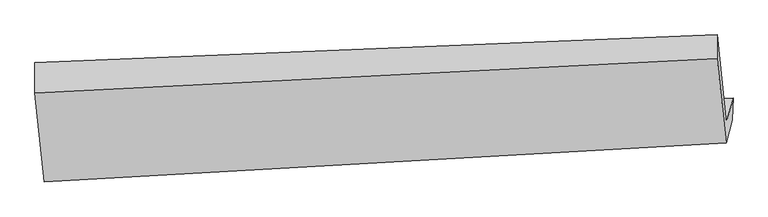
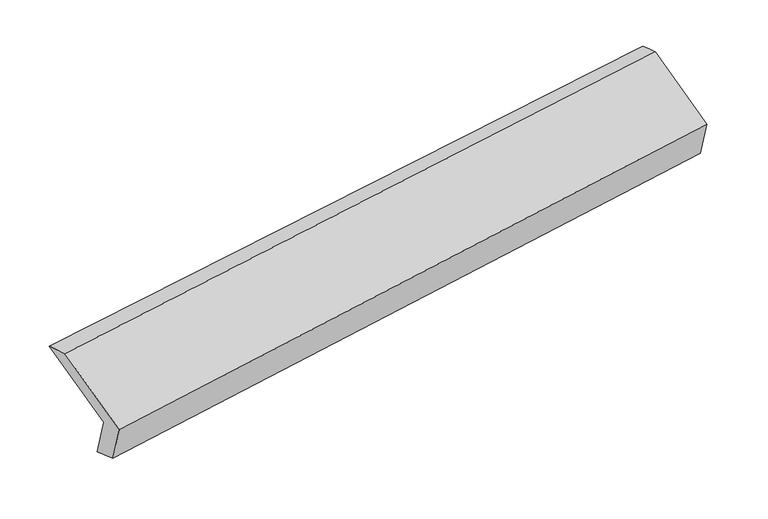
"""IFC4 building model written with IfcOpenShell, lengths in millimetres: proxy geometry."""

import ifcopenshell
import ifcopenshell.guid

model = None  # the IFC model being written
_history = None  # IfcOwnerHistory: only IFC2X3 demands one
_inside = {}  # id of a spatial element -> (the spatial element, [elements in it])
_under = {}  # id of a project, library or spatial element -> (it, [spatial elements below it])
_declared = {}  # id of a project -> (the project, [libraries it declares])
_typed = {}  # id of a type object -> (the type object, [elements of that type])
_made_of = {}  # id of a material, layer set ... -> (it, [elements and type objects made of it])


def new_model(schema):
    """Start an empty IFC model of exactly this schema.

    Asked for "IFC4X3", IfcOpenShell would pick the latest addendum, in which some entities
    have other attributes; the version numbers below select the first issue.
    IFC2X3 requires an IfcOwnerHistory on every rooted entity: one is made here for all.
    """
    global model, _history
    if schema == "IFC4X3":
        model = ifcopenshell.file(schema_version=(4, 3, 0, 0))
    else:
        model = ifcopenshell.file(schema=schema)
    _inside.clear()
    _under.clear()
    _declared.clear()
    _typed.clear()
    _made_of.clear()
    _history = None
    if model.schema == "IFC2X3":
        org = make("IfcOrganization", Name="unknown")
        user = make(
            "IfcPersonAndOrganization",
            ThePerson=make("IfcPerson", FamilyName="unknown"),
            TheOrganization=org,
        )
        app = make(
            "IfcApplication",
            ApplicationDeveloper=org,
            Version="unknown",
            ApplicationFullName="unknown",
            ApplicationIdentifier="unknown",
        )
        _history = make(
            "IfcOwnerHistory",
            OwningUser=user,
            OwningApplication=app,
            ChangeAction="ADDED",
            CreationDate=0,
        )
    return model


def make(cls, **values):
    """One entity of the class cls with the attributes given. An attribute that is None is left unset."""
    return model.create_entity(
        cls, **{name: value for name, value in values.items() if value is not None}
    )


def rooted(cls, **values):
    """An entity with a GlobalId (a new one), such as an element, a storey or a relation."""
    return make(cls, GlobalId=ifcopenshell.guid.new(), OwnerHistory=_history, **values)


def si_unit(unit_type, name, prefix=None):
    """IfcSIUnit, for example si_unit("LENGTHUNIT", "METRE", prefix="MILLI")."""
    return make("IfcSIUnit", UnitType=unit_type, Prefix=prefix, Name=name)


def assignment(units):
    """IfcUnitAssignment: the units of a project."""
    return None if units is None else make("IfcUnitAssignment", Units=units)


def point(xyz):
    """IfcCartesianPoint."""
    return None if xyz is None else make("IfcCartesianPoint", Coordinates=xyz)


def direction(xyz):
    """IfcDirection."""
    return None if xyz is None else make("IfcDirection", DirectionRatios=xyz)


def frame(location, z_axis=None, x_axis=None):
    """IfcAxis2Placement3D, a coordinate frame: its origin and axes. An axis left out is left unset."""
    return make(
        "IfcAxis2Placement3D",
        Location=point(location),
        Axis=direction(z_axis),
        RefDirection=direction(x_axis),
    )


def origin():
    """The frame at (0, 0, 0) with its axes left unset."""
    return frame((0.0, 0.0, 0.0))


def place(relative_to, where):
    """IfcLocalPlacement: puts the frame where relative to a parent placement (None: the world)."""
    return make(
        "IfcLocalPlacement", PlacementRelTo=relative_to, RelativePlacement=where
    )


def context(
    kind, dimensions, precision=None, world=None, true_north=None, identifier=None
):
    """IfcGeometricRepresentationContext, for example the 3D "Model" context."""
    return make(
        "IfcGeometricRepresentationContext",
        ContextIdentifier=identifier,
        ContextType=kind,
        CoordinateSpaceDimension=dimensions,
        Precision=precision,
        WorldCoordinateSystem=world,
        TrueNorth=true_north,
    )


def project(units=None, contexts=None):
    """IfcProject with its units and contexts."""
    return rooted(
        "IfcProject",
        Name="project",
        RepresentationContexts=contexts,
        UnitsInContext=assignment(units),
    )


def spatial(cls, under=None, at=None, **own):
    """A site, building, storey or space (cls), placed at a placement, below another one or the project."""
    s = rooted(cls, ObjectPlacement=at, **own)
    if under is not None:
        _under.setdefault(under.id(), (under, []))[1].append(s)
    return s


def shape(context_of_items, identifier, shape_type, items):
    """IfcShapeRepresentation: the items that make up one representation, for example the "Body"."""
    return make(
        "IfcShapeRepresentation",
        ContextOfItems=context_of_items,
        RepresentationIdentifier=identifier,
        RepresentationType=shape_type,
        Items=items,
    )


def source(mapping_origin, context_of_items, identifier, shape_type, items):
    """IfcRepresentationMap: a shape defined once, which mapped items show again and again."""
    return make(
        "IfcRepresentationMap",
        MappingOrigin=mapping_origin,
        MappedRepresentation=shape(context_of_items, identifier, shape_type, items),
    )


def transform(
    local_origin,
    x_axis=None,
    y_axis=None,
    z_axis=None,
    scale=None,
    scale2=None,
    scale3=None,
    uniform=True,
):
    """IfcCartesianTransformationOperator3D, or its non-uniform kind. x_axis, y_axis, z_axis: its Axis1, 2, 3."""
    if uniform:
        return make(
            "IfcCartesianTransformationOperator3D",
            Axis1=direction(x_axis),
            Axis2=direction(y_axis),
            LocalOrigin=point(local_origin),
            Scale=scale,
            Axis3=direction(z_axis),
        )
    return make(
        "IfcCartesianTransformationOperator3DnonUniform",
        Axis1=direction(x_axis),
        Axis2=direction(y_axis),
        LocalOrigin=point(local_origin),
        Scale=scale,
        Axis3=direction(z_axis),
        Scale2=scale2,
        Scale3=scale3,
    )


def mapped(mapping_source, mapping_target):
    """IfcMappedItem: shows the shape of a source again, moved by a transform."""
    return make(
        "IfcMappedItem", MappingSource=mapping_source, MappingTarget=mapping_target
    )


def made_of(thing, what):
    """Note that an element or type object is made of a material, layer set ...; save() writes the relation."""
    if what is not None:
        _made_of.setdefault(what.id(), (what, []))[1].append(thing)
    return thing


def element(
    cls,
    number,
    at=None,
    inside=None,
    cuts=None,
    type_object=None,
    material=None,
    context=None,
    identifier="Body",
    shape_type=None,
    held_by="IfcProductDefinitionShape",
    body=None,
    shapes=None,
    **own,
):
    """One element of the class cls, such as IfcWall. Its Tag is "e" and its number.

    at: its placement. inside: the storey or other place that contains it. cuts: it is an
    opening in that element (IfcRelVoidsElement). A single representation is given by context,
    identifier, shape_type and body (its items); several are given by shapes. held_by: the class
    of the entity that holds the representations. save() writes the other relations.
    """
    e = rooted(cls, Tag="e%d" % number, ObjectPlacement=at, **own)
    if body is not None:
        shapes = [shape(context, identifier, shape_type, body)]
    if shapes is not None:
        e.Representation = make(held_by, Representations=shapes)
    if inside is not None:
        _inside.setdefault(inside.id(), (inside, []))[1].append(e)
    if cuts is not None:
        rooted(
            "IfcRelVoidsElement", RelatingBuildingElement=cuts, RelatedOpeningElement=e
        )
    if type_object is not None:
        _typed.setdefault(type_object.id(), (type_object, []))[1].append(e)
    return made_of(e, material)


def aggregate(whole, parts):
    """IfcRelAggregates: a whole, such as a stair, and the parts it consists of."""
    return rooted("IfcRelAggregates", RelatingObject=whole, RelatedObjects=parts)


def save(model, path):
    """Write the relations noted so far, then the file.

    IfcRelAggregates (storeys below a building ...), IfcRelContainedInSpatialStructure (elements
    in a storey), IfcRelDefinesByType, IfcRelAssociatesMaterial and IfcRelDeclares: one each for
    every whole, place, type object, material and project.
    """
    for whole, parts in _under.values():
        aggregate(whole, parts)
    for where, things in _inside.values():
        rooted(
            "IfcRelContainedInSpatialStructure",
            RelatedElements=things,
            RelatingStructure=where,
        )
    for kind, things in _typed.values():
        rooted("IfcRelDefinesByType", RelatedObjects=things, RelatingType=kind)
    for what, things in _made_of.values():
        rooted("IfcRelAssociatesMaterial", RelatedObjects=things, RelatingMaterial=what)
    for by, libraries in _declared.values():
        rooted("IfcRelDeclares", RelatingContext=by, RelatedDefinitions=libraries)
    model.write(path)


def plane_surface(at):
    """IfcPlane: the flat surface through the origin of the frame at, square to its z axis."""
    return make("IfcPlane", Position=at)


def spline_surface(u_degree, v_degree, points, u_multiplicities, v_multiplicities, u_knots, v_knots, weights=None):
    """IfcBSplineSurfaceWithKnots; with weights, IfcRationalBSplineSurfaceWithKnots. points: one row for each step in u."""
    own = dict(
        UDegree=u_degree,
        VDegree=v_degree,
        ControlPointsList=[[point(p) for p in row] for row in points],
        SurfaceForm="UNSPECIFIED",
        UClosed=False,
        VClosed=False,
        SelfIntersect=False,
        UMultiplicities=u_multiplicities,
        VMultiplicities=v_multiplicities,
        UKnots=u_knots,
        VKnots=v_knots,
        KnotSpec="UNSPECIFIED",
    )
    if weights is None:
        return make("IfcBSplineSurfaceWithKnots", **own)
    return make("IfcRationalBSplineSurfaceWithKnots", WeightsData=weights, **own)


def advanced_brep(points, edges, surfaces, faces):
    """IfcAdvancedBrep: a solid bounded by faces that lie on surfaces and meet in shared edges.

    An edge is (start, end): straight between two places in points (the first is 0);
    or (start, end, curve); or (start, end, curve, False) where it runs against its curve.
    A face is (place in surfaces, loops), or (place, loops, False) where it looks against
    its surface's normal. A loop lists edges by number (the first is 1), with a minus sign
    where the edge is run from its end to its start. The first loop is the outer one.
    """
    corners = [point(p) for p in points]
    vertices = [make("IfcVertexPoint", VertexGeometry=c) for c in corners]
    made = []
    for start, end, *more in edges:
        made.append(
            make(
                "IfcEdgeCurve",
                EdgeStart=vertices[start],
                EdgeEnd=vertices[end],
                EdgeGeometry=more[0] if more else make("IfcPolyline", Points=[corners[start], corners[end]]),
                SameSense=more[1] if len(more) > 1 else True,
            )
        )
    hull = []
    for where, loops, *sense in faces:
        bounds = []
        for j, loop in enumerate(loops):
            ring = [make("IfcOrientedEdge", EdgeElement=made[abs(k) - 1], Orientation=k > 0) for k in loop]
            bounds.append(
                make(
                    "IfcFaceOuterBound" if j == 0 else "IfcFaceBound",
                    Bound=make("IfcEdgeLoop", EdgeList=ring),
                    Orientation=True,
                )
            )
        hull.append(make("IfcAdvancedFace", Bounds=bounds, FaceSurface=surfaces[where], SameSense=sense[0] if sense else True))
    return make("IfcAdvancedBrep", Outer=make("IfcClosedShell", CfsFaces=hull))


def generic_models_b5d3021c(model_context):
    return source(origin(), model_context, "Body", "AdvancedBrep", [
        advanced_brep(
        [(-5173.2968849, -1613.9212677, 1219.7003537), (-5217.0315576, -1776.3573536, 1574.4945508), (-489.4707449, -1573.4948869, 2272.2612867), (-443.5084276, -1402.7850483, 1899.3954927), (-5174.8077048, -1827.7724535, 1294.2273499), (-449.2756867, -1554.8265008, 1985.2419751), (-5217.4285552, -1986.0716629, 1639.9857485), (-492.502515, -1715.3763887, 2335.9163237), (-5283.1848806, -1367.0486666, 1915.2885635), (-554.6753115, -1130.0883493, 2596.2159343), (-5282.787883, -1157.3343573, 1849.7973658), (-554.2610105, -963.5662746, 2543.519487)],
        [
            (0, 1),
            (1, 2),
            (2, 3),
            (3, 0),
            (4, 0),
            (3, 5),
            (5, 4),
            (6, 4),
            (5, 7),
            (7, 6),
            (8, 6),
            (7, 9),
            (9, 8),
            (10, 8),
            (9, 11),
            (11, 10),
            (1, 10),
            (11, 2),
        ],
        [
            plane_surface(frame((-5195.1642212, -1695.1393106, 1397.0974522), z_axis=(-0.09867364686966945, 0.9093480966831433, 0.4041652514407751), x_axis=(-0.1113822297826794, -0.41368763799514197, 0.9035798454252059))),
            spline_surface(1, 1, [[(-5174.8077048, -1827.7724535, 1294.2273499), (-449.2756867, -1554.8265008, 1985.2419751)], [(-5173.2968849, -1613.9212677, 1219.7003537), (-443.5084276, -1402.7850483, 1899.3954927)]], [2, 2], [2, 2], [0.0, 1.0], [0.0, 1.0]),
            plane_surface(frame((-5196.11813, -1906.9220582, 1467.1065492), z_axis=(0.11131726790441135, -0.9087089004104719, -0.40231405665361536), x_axis=(0.11138222978267935, 0.41368763799514163, -0.903579845425206))),
            plane_surface(frame((-5250.3067179, -1676.5601648, 1777.637156), z_axis=(-0.10943258005551915, -0.41360357774119383, 0.9038565101287243), x_axis=(0.09660598671871447, -0.909438399299044, -0.4044614706130809))),
            spline_surface(1, 1, [[(-5282.787883, -1157.3343573, 1849.7973658), (-554.2610105, -963.5662746, 2543.519487)], [(-5283.1848806, -1367.0486666, 1915.2885635), (-554.6753115, -1130.0883493, 2596.2159343)]], [2, 2], [2, 2], [0.0, 1.0], [0.0, 1.0]),
            plane_surface(frame((-5249.9097203, -1466.8458554, 1712.1459583), z_axis=(0.11551697152405632, 0.41386065028540164, -0.9029812796704343), x_axis=(-0.0966059867187169, 0.909438399299047, 0.40446147061307364))),
            plane_surface(frame((-497.2822827, -1390.0229081, 2272.0917499), z_axis=(0.9890709187003438, 0.04224140208837893, 0.1412599792257732), x_axis=(0.09660598671871447, -0.909438399299044, -0.4044614706130809))),
            plane_surface(frame((-5224.7562443, -1621.4176269, 1582.2489887), z_axis=(-0.9890709187003447, -0.042241402088370315, -0.14125997922577016), x_axis=(0.11138222978268002, 0.4136876379951418, -0.9035798454252059))),
        ],
        [
            (0, [[1, 2, 3, 4]]),
            (1, [[5, -4, 6, 7]]),
            (2, [[8, -7, 9, 10]]),
            (3, [[11, -10, 12, 13]]),
            (4, [[14, -13, 15, 16]]),
            (5, [[17, -16, 18, -2]]),
            (6, [[-12, -9, -6, -3, -18, -15]]),
            (7, [[-1, -5, -8, -11, -14, -17]]),
        ],
    ),
    ])


if __name__ == "__main__":
    model = new_model("IFC4")
    model_context = context("Model", 3, world=origin())
    ifc_project = project(units=[si_unit("LENGTHUNIT", "METRE", prefix="MILLI")], contexts=[model_context])
    site = spatial("IfcSite", under=ifc_project)
    building = spatial("IfcBuilding", under=site)
    placement = place(None, origin())
    generic_models_shape = generic_models_b5d3021c(model_context)
    element("IfcBuildingElementProxy", 1, Name="Generic Models", at=placement, inside=building, context=model_context, shape_type="MappedRepresentation", body=[
        mapped(generic_models_shape, transform((0.0, 0.0, 0.0), x_axis=(1.0, 0.0, 0.0), y_axis=(0.0, 1.0, 0.0), z_axis=(0.0, 0.0, 1.0))),
    ])
    save(model, "model.ifc")
